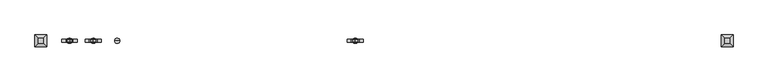
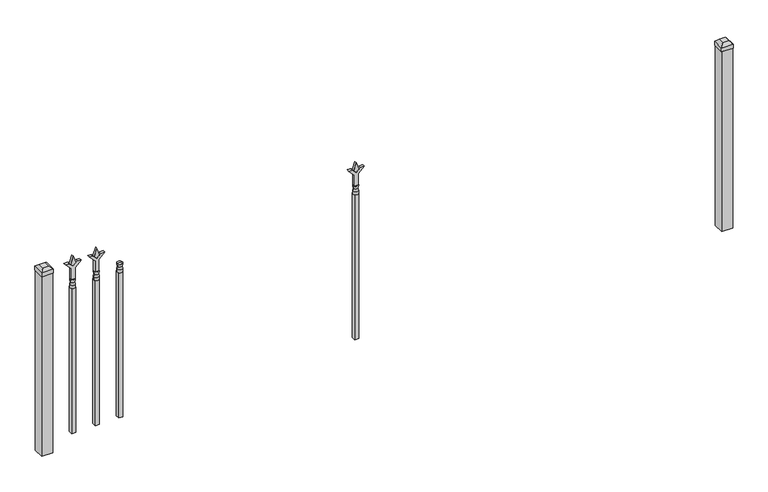
"""IFC4 building model written with IfcOpenShell, lengths in millimetres: railing geometry."""

from ifc_helpers import new_model, si_unit, frame, origin, place, context, project, spatial, polyline, circle_curve, outline, extrude, faceted_brep, source, transform, mapped, element, save
from ifc_brep_helpers import plane_surface, cylinder_surface, revolved_surface, advanced_brep


def railing_aef4b2e3(model_context):
    return source(origin(), model_context, "Body", "SolidModel", [
        advanced_brep(
        [(-588.59043, 7037.6199518, 12966.7), (-612.40293, 7037.6199518, 12966.7), (-612.40293, 7037.6199518, 12954.0), (-588.59043, 7037.6199518, 12954.0), (-590.7957619, 7037.6199518, 12979.2070585), (-610.1975982, 7037.6199518, 12979.2070585), (-588.59043, 7037.6199518, 12995.275), (-612.40293, 7037.6199518, 12995.275), (-600.49668, 7037.6199518, 12995.275), (-600.49668, 7037.6199518, 12954.0)],
        [
            (0, 1, circle_curve(frame((-600.49668, 7037.6199518, 12966.7), z_axis=(0.0, 0.0, -1.0), x_axis=(-1.0, 0.0, 0.0)), 11.90625)),
            (1, 2),
            (2, 3, circle_curve(frame((-600.49668, 7037.6199518, 12954.0), z_axis=(0.0, 0.0, 1.0), x_axis=(-1.0, 0.0, 0.0)), 11.90625)),
            (3, 0),
            (1, 0, circle_curve(frame((-600.49668, 7037.6199518, 12966.7), z_axis=(0.0, 0.0, -1.0), x_axis=(-1.0, 0.0, 0.0)), 11.90625)),
            (3, 2, circle_curve(frame((-600.49668, 7037.6199518, 12954.0), z_axis=(0.0, 0.0, 1.0), x_axis=(-1.0, 0.0, 0.0)), 11.90625)),
            (4, 5, circle_curve(frame((-600.49668, 7037.6199518, 12979.2070585), z_axis=(0.0, 0.0, -1.0), x_axis=(-1.0, 0.0, 0.0)), 9.7009181)),
            (5, 1),
            (0, 4),
            (5, 4, circle_curve(frame((-600.49668, 7037.6199518, 12979.2070585), z_axis=(0.0, 0.0, -1.0), x_axis=(-1.0, 0.0, 0.0)), 9.7009181)),
            (6, 7, circle_curve(frame((-600.49668, 7037.6199518, 12995.275), z_axis=(0.0, 0.0, -1.0), x_axis=(-1.0, 0.0, 0.0)), 11.90625)),
            (7, 5),
            (4, 6),
            (7, 6, circle_curve(frame((-600.49668, 7037.6199518, 12995.275), z_axis=(0.0, 0.0, -1.0), x_axis=(-1.0, 0.0, 0.0)), 11.90625)),
            (8, 7),
            (6, 8),
            (2, 9),
            (9, 3),
        ],
        [
            cylinder_surface(frame((-600.49668, 7037.6199518, 12954.0), z_axis=(0.0, 0.0, 1.0), x_axis=(-1.0, 0.0, 0.0)), 11.90625),
            revolved_surface(polyline([(-612.40293, 7037.6199518, 12966.7), (-610.1975982, 7037.6199518, 12979.2070585)]), (-600.49668, 7037.6199518, 12954.0), (0.0, 0.0, 1.0)),
            revolved_surface(polyline([(-610.1975982, 7037.6199518, 12979.2070585), (-612.40293, 7037.6199518, 12995.275)]), (-600.49668, 7037.6199518, 12954.0), (0.0, 0.0, 1.0)),
            plane_surface(frame((-600.49668, 7037.6199518, 12995.275), z_axis=(0.0, 0.0, 1.0), x_axis=(-1.0, 0.0, 0.0))),
            plane_surface(frame((-600.49668, 7037.6199518, 12954.0), z_axis=(0.0, 0.0, -1.0), x_axis=(-1.0, 0.0, 0.0))),
        ],
        [
            (0, [[1, 2, 3, 4]]),
            (0, [[5, -4, 6, -2]]),
            (1, [[7, 8, -1, 9]]),
            (1, [[10, -9, -5, -8]]),
            (2, [[11, 12, -7, 13]]),
            (2, [[14, -13, -10, -12]]),
            (3, [[15, -11, 16]]),
            (3, [[-16, -14, -15]]),
            (4, [[-3, 17, 18]]),
            (4, [[-6, -18, -17]]),
        ],
    ),
        extrude(outline(polyline([(-610.02168, 7047.1449518), (-590.97168, 7047.1449518), (-590.97168, 7028.0949518), (-610.02168, 7028.0949518), (-610.02168, 7047.1449518)])), frame((0.0, 0.0, 12242.8), z_axis=(0.0, 0.0, 1.0), x_axis=(1.0, 0.0, 0.0)), (0.0, 0.0, 1.0), 711.2),
        extrude(outline(polyline([(13070.68125, -697.8633467), (13106.4, -709.7695967), (13070.68125, -721.6758467), (13058.775, -709.7695967), (13070.68125, -697.8633467)])), frame((0.0, 7032.8574518, 0.0), z_axis=(0.0, 1.0, 0.0), x_axis=(0.0, 0.0, 1.0)), (0.0, 0.0, 1.0), 9.525),
        extrude(outline(polyline([(12995.275, -701.0383467), (13049.5457378, -701.0383467), (13076.7355122, -673.8485722), (13076.7355122, -691.8090845), (13058.775, -709.7695967), (13076.7355122, -727.730109), (13076.7355122, -745.6906212), (13049.5457378, -718.5008467), (12995.275, -718.5008467), (12995.275, -701.0383467)])), frame((0.0, 7031.2699518, 0.0), z_axis=(0.0, 1.0, 0.0), x_axis=(0.0, 0.0, 1.0)), (0.0, 0.0, 1.0), 12.7),
        advanced_brep(
        [(-697.8633467, 7037.6199518, 12966.7), (-721.6758467, 7037.6199518, 12966.7), (-721.6758467, 7037.6199518, 12954.0), (-697.8633467, 7037.6199518, 12954.0), (-700.0686786, 7037.6199518, 12979.2070585), (-719.4705149, 7037.6199518, 12979.2070585), (-697.8633467, 7037.6199518, 12995.275), (-721.6758467, 7037.6199518, 12995.275), (-709.7695967, 7037.6199518, 12995.275), (-709.7695967, 7037.6199518, 12954.0)],
        [
            (0, 1, circle_curve(frame((-709.7695967, 7037.6199518, 12966.7), z_axis=(0.0, 0.0, -1.0), x_axis=(-1.0, 0.0, 0.0)), 11.90625)),
            (1, 2),
            (2, 3, circle_curve(frame((-709.7695967, 7037.6199518, 12954.0), z_axis=(0.0, 0.0, 1.0), x_axis=(-1.0, 0.0, 0.0)), 11.90625)),
            (3, 0),
            (1, 0, circle_curve(frame((-709.7695967, 7037.6199518, 12966.7), z_axis=(0.0, 0.0, -1.0), x_axis=(-1.0, 0.0, 0.0)), 11.90625)),
            (3, 2, circle_curve(frame((-709.7695967, 7037.6199518, 12954.0), z_axis=(0.0, 0.0, 1.0), x_axis=(-1.0, 0.0, 0.0)), 11.90625)),
            (4, 5, circle_curve(frame((-709.7695967, 7037.6199518, 12979.2070585), z_axis=(0.0, 0.0, -1.0), x_axis=(-1.0, 0.0, 0.0)), 9.7009181)),
            (5, 1),
            (0, 4),
            (5, 4, circle_curve(frame((-709.7695967, 7037.6199518, 12979.2070585), z_axis=(0.0, 0.0, -1.0), x_axis=(-1.0, 0.0, 0.0)), 9.7009181)),
            (6, 7, circle_curve(frame((-709.7695967, 7037.6199518, 12995.275), z_axis=(0.0, 0.0, -1.0), x_axis=(-1.0, 0.0, 0.0)), 11.90625)),
            (7, 5),
            (4, 6),
            (7, 6, circle_curve(frame((-709.7695967, 7037.6199518, 12995.275), z_axis=(0.0, 0.0, -1.0), x_axis=(-1.0, 0.0, 0.0)), 11.90625)),
            (8, 7),
            (6, 8),
            (2, 9),
            (9, 3),
        ],
        [
            cylinder_surface(frame((-709.7695967, 7037.6199518, 12954.0), z_axis=(0.0, 0.0, 1.0), x_axis=(-1.0, 0.0, 0.0)), 11.90625),
            revolved_surface(polyline([(-721.6758467, 7037.6199518, 12966.7), (-719.4705149, 7037.6199518, 12979.2070585)]), (-709.7695967, 7037.6199518, 12954.0), (0.0, 0.0, 1.0)),
            revolved_surface(polyline([(-719.4705149, 7037.6199518, 12979.2070585), (-721.6758467, 7037.6199518, 12995.275)]), (-709.7695967, 7037.6199518, 12954.0), (0.0, 0.0, 1.0)),
            plane_surface(frame((-709.7695967, 7037.6199518, 12995.275), z_axis=(0.0, 0.0, 1.0), x_axis=(-1.0, 0.0, 0.0))),
            plane_surface(frame((-709.7695967, 7037.6199518, 12954.0), z_axis=(0.0, 0.0, -1.0), x_axis=(-1.0, 0.0, 0.0))),
        ],
        [
            (0, [[1, 2, 3, 4]]),
            (0, [[5, -4, 6, -2]]),
            (1, [[7, 8, -1, 9]]),
            (1, [[10, -9, -5, -8]]),
            (2, [[11, 12, -7, 13]]),
            (2, [[14, -13, -10, -12]]),
            (3, [[15, -11, 16]]),
            (3, [[-16, -14, -15]]),
            (4, [[-3, 17, 18]]),
            (4, [[-6, -18, -17]]),
        ],
    ),
        extrude(outline(polyline([(-719.2945967, 7047.1449518), (-700.2445967, 7047.1449518), (-700.2445967, 7028.0949518), (-719.2945967, 7028.0949518), (-719.2945967, 7047.1449518)])), frame((0.0, 0.0, 12242.8), z_axis=(0.0, 0.0, 1.0), x_axis=(1.0, 0.0, 0.0)), (0.0, 0.0, 1.0), 711.2),
        extrude(outline(polyline([(13070.68125, 504.1387366), (13106.4, 492.2324866), (13070.68125, 480.3262366), (13058.775, 492.2324866), (13070.68125, 504.1387366)])), frame((0.0, 7032.8574518, 0.0), z_axis=(0.0, 1.0, 0.0), x_axis=(0.0, 0.0, 1.0)), (0.0, 0.0, 1.0), 9.525),
        extrude(outline(polyline([(12995.275, 500.9637366), (13049.5457378, 500.9637366), (13076.7355122, 528.1535111), (13076.7355122, 510.1929989), (13058.775, 492.2324866), (13076.7355122, 474.2719744), (13076.7355122, 456.3114621), (13049.5457378, 483.5012366), (12995.275, 483.5012366), (12995.275, 500.9637366)])), frame((0.0, 7031.2699518, 0.0), z_axis=(0.0, 1.0, 0.0), x_axis=(0.0, 0.0, 1.0)), (0.0, 0.0, 1.0), 12.7),
        advanced_brep(
        [(504.1387366, 7037.6199518, 12966.7), (480.3262366, 7037.6199518, 12966.7), (480.3262366, 7037.6199518, 12954.0), (504.1387366, 7037.6199518, 12954.0), (501.9334048, 7037.6199518, 12979.2070585), (482.5315685, 7037.6199518, 12979.2070585), (504.1387366, 7037.6199518, 12995.275), (480.3262366, 7037.6199518, 12995.275), (492.2324866, 7037.6199518, 12995.275), (492.2324866, 7037.6199518, 12954.0)],
        [
            (0, 1, circle_curve(frame((492.2324866, 7037.6199518, 12966.7), z_axis=(0.0, 0.0, -1.0), x_axis=(-1.0, 0.0, 0.0)), 11.90625)),
            (1, 2),
            (2, 3, circle_curve(frame((492.2324866, 7037.6199518, 12954.0), z_axis=(0.0, 0.0, 1.0), x_axis=(-1.0, 0.0, 0.0)), 11.90625)),
            (3, 0),
            (1, 0, circle_curve(frame((492.2324866, 7037.6199518, 12966.7), z_axis=(0.0, 0.0, -1.0), x_axis=(-1.0, 0.0, 0.0)), 11.90625)),
            (3, 2, circle_curve(frame((492.2324866, 7037.6199518, 12954.0), z_axis=(0.0, 0.0, 1.0), x_axis=(-1.0, 0.0, 0.0)), 11.90625)),
            (4, 5, circle_curve(frame((492.2324866, 7037.6199518, 12979.2070585), z_axis=(0.0, 0.0, -1.0), x_axis=(-1.0, 0.0, 0.0)), 9.7009181)),
            (5, 1),
            (0, 4),
            (5, 4, circle_curve(frame((492.2324866, 7037.6199518, 12979.2070585), z_axis=(0.0, 0.0, -1.0), x_axis=(-1.0, 0.0, 0.0)), 9.7009181)),
            (6, 7, circle_curve(frame((492.2324866, 7037.6199518, 12995.275), z_axis=(0.0, 0.0, -1.0), x_axis=(-1.0, 0.0, 0.0)), 11.90625)),
            (7, 5),
            (4, 6),
            (7, 6, circle_curve(frame((492.2324866, 7037.6199518, 12995.275), z_axis=(0.0, 0.0, -1.0), x_axis=(-1.0, 0.0, 0.0)), 11.90625)),
            (8, 7),
            (6, 8),
            (2, 9),
            (9, 3),
        ],
        [
            cylinder_surface(frame((492.2324866, 7037.6199518, 12954.0), z_axis=(0.0, 0.0, 1.0), x_axis=(-1.0, 0.0, 0.0)), 11.90625),
            revolved_surface(polyline([(480.3262366, 7037.6199518, 12966.7), (482.5315685, 7037.6199518, 12979.2070585)]), (492.2324866, 7037.6199518, 12954.0), (0.0, 0.0, 1.0)),
            revolved_surface(polyline([(482.5315685, 7037.6199518, 12979.2070585), (480.3262366, 7037.6199518, 12995.275)]), (492.2324866, 7037.6199518, 12954.0), (0.0, 0.0, 1.0)),
            plane_surface(frame((492.2324866, 7037.6199518, 12995.275), z_axis=(0.0, 0.0, 1.0), x_axis=(-1.0, 0.0, 0.0))),
            plane_surface(frame((492.2324866, 7037.6199518, 12954.0), z_axis=(0.0, 0.0, -1.0), x_axis=(-1.0, 0.0, 0.0))),
        ],
        [
            (0, [[1, 2, 3, 4]]),
            (0, [[5, -4, 6, -2]]),
            (1, [[7, 8, -1, 9]]),
            (1, [[10, -9, -5, -8]]),
            (2, [[11, 12, -7, 13]]),
            (2, [[14, -13, -10, -12]]),
            (3, [[15, -11, 16]]),
            (3, [[-16, -14, -15]]),
            (4, [[-3, 17, 18]]),
            (4, [[-6, -18, -17]]),
        ],
    ),
        extrude(outline(polyline([(482.7074866, 7047.1449518), (501.7574866, 7047.1449518), (501.7574866, 7028.0949518), (482.7074866, 7028.0949518), (482.7074866, 7047.1449518)])), frame((0.0, 0.0, 12242.8), z_axis=(0.0, 0.0, 1.0), x_axis=(1.0, 0.0, 0.0)), (0.0, 0.0, 1.0), 711.2),
        extrude(outline(polyline([(13070.68125, -807.1362634), (13106.4, -819.0425134), (13070.68125, -830.9487634), (13058.775, -819.0425134), (13070.68125, -807.1362634)])), frame((0.0, 7032.8574518, 0.0), z_axis=(0.0, 1.0, 0.0), x_axis=(0.0, 0.0, 1.0)), (0.0, 0.0, 1.0), 9.525),
        extrude(outline(polyline([(12995.275, -810.3112634), (13049.5457378, -810.3112634), (13076.7355122, -783.1214889), (13076.7355122, -801.0820011), (13058.775, -819.0425134), (13076.7355122, -837.0030256), (13076.7355122, -854.9635379), (13049.5457378, -827.7737634), (12995.275, -827.7737634), (12995.275, -810.3112634)])), frame((0.0, 7031.2699518, 0.0), z_axis=(0.0, 1.0, 0.0), x_axis=(0.0, 0.0, 1.0)), (0.0, 0.0, 1.0), 12.7),
        advanced_brep(
        [(-807.1362634, 7037.6199518, 12966.7), (-830.9487634, 7037.6199518, 12966.7), (-830.9487634, 7037.6199518, 12954.0), (-807.1362634, 7037.6199518, 12954.0), (-809.3415952, 7037.6199518, 12979.2070585), (-828.7434315, 7037.6199518, 12979.2070585), (-807.1362634, 7037.6199518, 12995.275), (-830.9487634, 7037.6199518, 12995.275), (-819.0425134, 7037.6199518, 12995.275), (-819.0425134, 7037.6199518, 12954.0)],
        [
            (0, 1, circle_curve(frame((-819.0425134, 7037.6199518, 12966.7), z_axis=(0.0, 0.0, -1.0), x_axis=(-1.0, 0.0, 0.0)), 11.90625)),
            (1, 2),
            (2, 3, circle_curve(frame((-819.0425134, 7037.6199518, 12954.0), z_axis=(0.0, 0.0, 1.0), x_axis=(-1.0, 0.0, 0.0)), 11.90625)),
            (3, 0),
            (1, 0, circle_curve(frame((-819.0425134, 7037.6199518, 12966.7), z_axis=(0.0, 0.0, -1.0), x_axis=(-1.0, 0.0, 0.0)), 11.90625)),
            (3, 2, circle_curve(frame((-819.0425134, 7037.6199518, 12954.0), z_axis=(0.0, 0.0, 1.0), x_axis=(-1.0, 0.0, 0.0)), 11.90625)),
            (4, 5, circle_curve(frame((-819.0425134, 7037.6199518, 12979.2070585), z_axis=(0.0, 0.0, -1.0), x_axis=(-1.0, 0.0, 0.0)), 9.7009181)),
            (5, 1),
            (0, 4),
            (5, 4, circle_curve(frame((-819.0425134, 7037.6199518, 12979.2070585), z_axis=(0.0, 0.0, -1.0), x_axis=(-1.0, 0.0, 0.0)), 9.7009181)),
            (6, 7, circle_curve(frame((-819.0425134, 7037.6199518, 12995.275), z_axis=(0.0, 0.0, -1.0), x_axis=(-1.0, 0.0, 0.0)), 11.90625)),
            (7, 5),
            (4, 6),
            (7, 6, circle_curve(frame((-819.0425134, 7037.6199518, 12995.275), z_axis=(0.0, 0.0, -1.0), x_axis=(-1.0, 0.0, 0.0)), 11.90625)),
            (8, 7),
            (6, 8),
            (2, 9),
            (9, 3),
        ],
        [
            cylinder_surface(frame((-819.0425134, 7037.6199518, 12954.0), z_axis=(0.0, 0.0, 1.0), x_axis=(-1.0, 0.0, 0.0)), 11.90625),
            revolved_surface(polyline([(-830.9487634, 7037.6199518, 12966.7), (-828.7434315, 7037.6199518, 12979.2070585)]), (-819.0425134, 7037.6199518, 12954.0), (0.0, 0.0, 1.0)),
            revolved_surface(polyline([(-828.7434315, 7037.6199518, 12979.2070585), (-830.9487634, 7037.6199518, 12995.275)]), (-819.0425134, 7037.6199518, 12954.0), (0.0, 0.0, 1.0)),
            plane_surface(frame((-819.0425134, 7037.6199518, 12995.275), z_axis=(0.0, 0.0, 1.0), x_axis=(-1.0, 0.0, 0.0))),
            plane_surface(frame((-819.0425134, 7037.6199518, 12954.0), z_axis=(0.0, 0.0, -1.0), x_axis=(-1.0, 0.0, 0.0))),
        ],
        [
            (0, [[1, 2, 3, 4]]),
            (0, [[5, -4, 6, -2]]),
            (1, [[7, 8, -1, 9]]),
            (1, [[10, -9, -5, -8]]),
            (2, [[11, 12, -7, 13]]),
            (2, [[14, -13, -10, -12]]),
            (3, [[15, -11, 16]]),
            (3, [[-16, -14, -15]]),
            (4, [[-3, 17, 18]]),
            (4, [[-6, -18, -17]]),
        ],
    ),
        extrude(outline(polyline([(-828.5675134, 7047.1449518), (-809.5175134, 7047.1449518), (-809.5175134, 7028.0949518), (-828.5675134, 7028.0949518), (-828.5675134, 7047.1449518)])), frame((0.0, 0.0, 12242.8), z_axis=(0.0, 0.0, 1.0), x_axis=(1.0, 0.0, 0.0)), (0.0, 0.0, 1.0), 711.2),
        faceted_brep([(2171.8074866, 7064.6074518, 13093.7), (2171.8074866, 7064.6074518, 13074.65), (2171.8074866, 7010.6324518, 13074.65), (2171.8074866, 7010.6324518, 13093.7), (2184.5074866, 7051.9074518, 13106.4), (2184.5074866, 7023.3324518, 13106.4), (2225.7824866, 7010.6324518, 13074.65), (2225.7824866, 7010.6324518, 13093.7), (2213.0824866, 7023.3324518, 13106.4), (2225.7824866, 7064.6074518, 13074.65), (2225.7824866, 7064.6074518, 13093.7), (2213.0824866, 7051.9074518, 13106.4)], [[[0, 1, 2, 3]], [[4, 0, 3, 5]], [[3, 2, 6, 7]], [[5, 3, 7, 8]], [[7, 6, 9, 10]], [[8, 7, 10, 11]], [[10, 9, 1, 0]], [[11, 10, 0, 4]], [[5, 8, 11, 4]], [[1, 9, 6, 2]]]),
        extrude(outline(polyline([(2224.1949866, 7063.0199518), (2224.1949866, 7012.2199518), (2173.3949866, 7012.2199518), (2173.3949866, 7063.0199518), (2224.1949866, 7063.0199518)])), frame((0.0, 0.0, 12192.0), z_axis=(0.0, 0.0, 1.0), x_axis=(1.0, 0.0, 0.0)), (0.0, 0.0, 1.0), 882.65),
        faceted_brep([(-977.7925134, 7064.6074518, 13093.7), (-977.7925134, 7064.6074518, 13074.65), (-977.7925134, 7010.6324518, 13074.65), (-977.7925134, 7010.6324518, 13093.7), (-965.0925134, 7051.9074518, 13106.4), (-965.0925134, 7023.3324518, 13106.4), (-923.8175134, 7010.6324518, 13074.65), (-923.8175134, 7010.6324518, 13093.7), (-936.5175134, 7023.3324518, 13106.4), (-923.8175134, 7064.6074518, 13074.65), (-923.8175134, 7064.6074518, 13093.7), (-936.5175134, 7051.9074518, 13106.4)], [[[0, 1, 2, 3]], [[4, 0, 3, 5]], [[3, 2, 6, 7]], [[5, 3, 7, 8]], [[7, 6, 9, 10]], [[8, 7, 10, 11]], [[10, 9, 1, 0]], [[11, 10, 0, 4]], [[5, 8, 11, 4]], [[1, 9, 6, 2]]]),
        extrude(outline(polyline([(-925.4050134, 7063.0199518), (-925.4050134, 7012.2199518), (-976.2050134, 7012.2199518), (-976.2050134, 7063.0199518), (-925.4050134, 7063.0199518)])), frame((0.0, 0.0, 12192.0), z_axis=(0.0, 0.0, 1.0), x_axis=(1.0, 0.0, 0.0)), (0.0, 0.0, 1.0), 882.65),
    ])


if __name__ == "__main__":
    model = new_model("IFC4")
    model_context = context("Model", 3, world=origin())
    ifc_project = project(units=[si_unit("LENGTHUNIT", "METRE", prefix="MILLI")], contexts=[model_context])
    site = spatial("IfcSite", under=ifc_project)
    building = spatial("IfcBuilding", under=site)
    placement = place(None, origin())
    railing_shape = railing_aef4b2e3(model_context)
    element("IfcRailing", 1, at=placement, inside=building, context=model_context, shape_type="MappedRepresentation", body=[
        mapped(railing_shape, transform((0.0, 0.0, 0.0), x_axis=(1.0, 0.0, 0.0), y_axis=(0.0, 1.0, 0.0), z_axis=(0.0, 0.0, 1.0))),
    ])
    save(model, "model.ifc")
